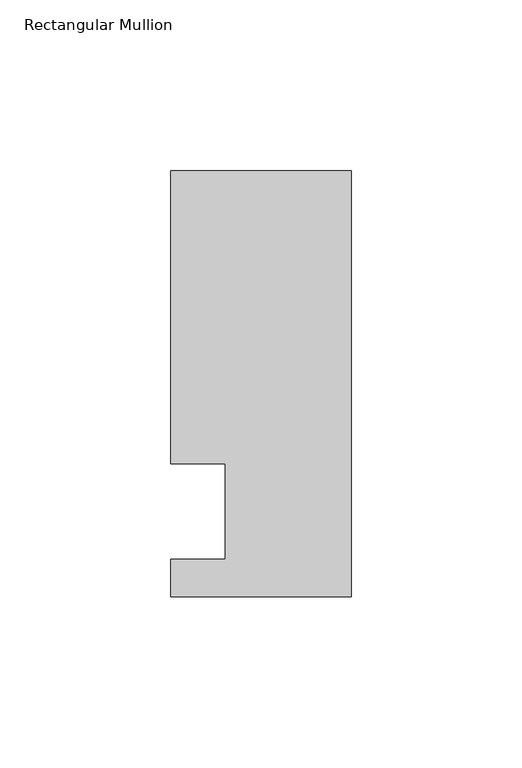
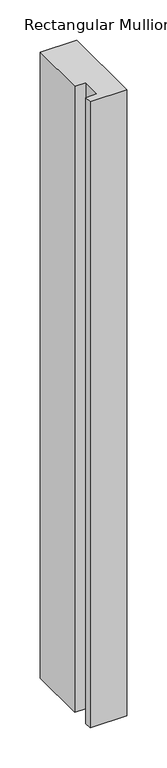
"""IFC4 building model written with IfcOpenShell, lengths in millimetres: member geometry, Rectangular Mullion."""

from ifc_helpers import new_model, si_unit, frame, origin, place, context, project, spatial, polyline, outline, extrude, source, transform, mapped, element, save


def rectangular_mullion_70e4fb6a(model_context):
    return source(origin(), model_context, "Body", "SweptSolid", [
        extrude(outline(polyline([(0.0, -25.0), (-53.0, -25.0), (-53.0, -14.0), (-37.0, -14.0), (-37.0, 13.9998907), (-53.0, 13.9998907), (-53.0, 100.0), (0.0, 100.0), (0.0, -25.0)])), frame((0.0, 0.0, -953.6595328), z_axis=(0.0, 0.0, 1.0), x_axis=(1.0, 0.0, 0.0)), (0.0, 0.0, 1.0), 953.6595328),
    ])


if __name__ == "__main__":
    model = new_model("IFC4")
    model_context = context("Model", 3, world=origin())
    ifc_project = project(units=[si_unit("LENGTHUNIT", "METRE", prefix="MILLI")], contexts=[model_context])
    site = spatial("IfcSite", under=ifc_project)
    building = spatial("IfcBuilding", under=site)
    placement = place(None, origin())
    rectangular_mullion_shape = rectangular_mullion_70e4fb6a(model_context)
    element("IfcMember", 1, ObjectType="Rectangular Mullion", at=placement, inside=building, context=model_context, shape_type="MappedRepresentation", body=[
        mapped(rectangular_mullion_shape, transform((0.0, 0.0, 0.0), x_axis=(1.0, 0.0, 0.0), y_axis=(0.0, 1.0, 0.0), z_axis=(0.0, 0.0, 1.0))),
    ])
    save(model, "model.ifc")
